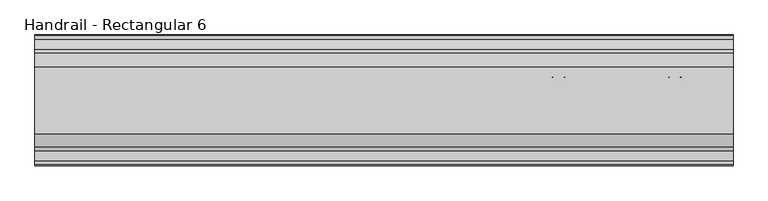
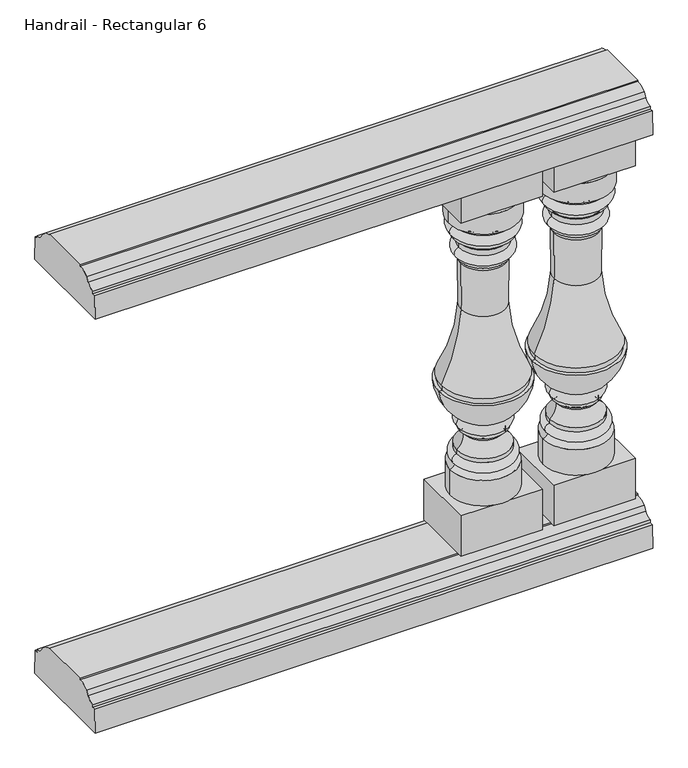
"""IFC4 building model written with IfcOpenShell, lengths in millimetres: railing geometry, Handrail - Rectangular 6."""

from ifc_helpers import new_model, si_unit, point, frame, frame_2d, origin, place, context, project, spatial, polyline, circle_curve, ellipse_curve, trimmed, segment, composite_curve, outline, extrude, source, transform, mapped, element, save
from ifc_brep_helpers import plane_surface, cylinder_surface, revolved_surface, advanced_brep


def handrail_rectangular_6_3261862a(model_context):
    return source(origin(), model_context, "Body", "SolidModel", [
        extrude(outline(composite_curve([segment(trimmed(circle_curve(frame_2d((2037.3551798, 1054.89375)), 19.84375), [point((2037.3551798, 1035.05))], [point((2054.4756216, 1044.8605607))], True, "CARTESIAN"), True, "CONTINUOUS"), segment(polyline([(2054.4756216, 1044.8605607), (2060.9356936, 1054.3201059)]), True, "CONTINUOUS"), segment(trimmed(circle_curve(frame_2d((2084.9801798, 1027.90625)), 35.71875), [point((2060.9356936, 1054.3201059))], [point((2084.9801798, 1063.625))], False, "CARTESIAN"), True, "CONTINUOUS"), segment(polyline([(2084.9801798, 1063.625), (2084.9801798, 1066.8), (2200.8676798, 1066.8), (2200.8676798, 1063.625)]), True, "CONTINUOUS"), segment(trimmed(circle_curve(frame_2d((2200.8676798, 1027.90625)), 35.71875), [point((2200.8676798, 1063.625))], [point((2224.912166, 1054.3201059))], False, "CARTESIAN"), True, "CONTINUOUS"), segment(polyline([(2224.912166, 1054.3201059), (2231.372238, 1044.8605607)]), True, "CONTINUOUS"), segment(trimmed(circle_curve(frame_2d((2248.4926798, 1054.89375)), 19.84375), [point((2231.372238, 1044.8605607))], [point((2248.4926798, 1035.05))], True, "CARTESIAN"), True, "CONTINUOUS"), segment(polyline([(2248.4926798, 1035.05), (2248.4926798, 1028.7), (2255.6364298, 1028.7), (2257.2239298, 974.725), (2028.6239298, 974.725), (2030.2114298, 1028.7), (2037.3551798, 1028.7), (2037.3551798, 1035.05)]), True, "CONTINUOUS")], self_intersect=False)), frame((14401.1566037, 0.0, 0.0), z_axis=(1.0, 0.0, 0.0), x_axis=(0.0, 1.0, 0.0)), (0.0, 0.0, 1.0), 1219.2),
        extrude(outline(composite_curve([segment(trimmed(circle_curve(frame_2d((2037.3551798, 99.21875)), 19.84375), [point((2037.3551798, 79.375))], [point((2054.4756216, 89.1855607))], True, "CARTESIAN"), True, "CONTINUOUS"), segment(polyline([(2054.4756216, 89.1855607), (2060.9356936, 98.6451059)]), True, "CONTINUOUS"), segment(trimmed(circle_curve(frame_2d((2084.9801798, 72.23125)), 35.71875), [point((2060.9356936, 98.6451059))], [point((2084.9801798, 107.95))], False, "CARTESIAN"), True, "CONTINUOUS"), segment(polyline([(2084.9801798, 107.95), (2084.9801798, 111.125), (2200.8676798, 111.125), (2200.8676798, 107.95)]), True, "CONTINUOUS"), segment(trimmed(circle_curve(frame_2d((2200.8676798, 72.23125)), 35.71875), [point((2200.8676798, 107.95))], [point((2224.912166, 98.6451059))], False, "CARTESIAN"), True, "CONTINUOUS"), segment(polyline([(2224.912166, 98.6451059), (2231.372238, 89.1855607)]), True, "CONTINUOUS"), segment(trimmed(circle_curve(frame_2d((2248.4926798, 99.21875)), 19.84375), [point((2231.372238, 89.1855607))], [point((2248.4926798, 79.375))], True, "CARTESIAN"), True, "CONTINUOUS"), segment(polyline([(2248.4926798, 79.375), (2248.4926798, 73.025), (2255.6364298, 73.025), (2257.2239298, 19.05), (2028.6239298, 19.05), (2030.2114298, 73.025), (2037.3551798, 73.025), (2037.3551798, 79.375)]), True, "CONTINUOUS")], self_intersect=False)), frame((14401.1566037, 0.0, 0.0), z_axis=(1.0, 0.0, 0.0), x_axis=(0.0, 1.0, 0.0)), (0.0, 0.0, 1.0), 1219.2),
        advanced_brep(
        [(15442.5566037, 2142.9239298, 881.0625), (15594.9566037, 2142.9239298, 881.0625), (15518.7566037, 2142.9239298, 881.0625), (15442.5566037, 2142.9239298, 835.3414358), (15594.9566037, 2142.9239298, 835.3414358), (15454.6856401, 2142.9239298, 824.1251909), (15582.8275673, 2142.9239298, 824.1251909), (15454.9308811, 2142.9239298, 801.0872354), (15582.5823263, 2142.9239298, 801.0872354), (15454.9308811, 2142.9239298, 792.9994382), (15582.5823263, 2142.9239298, 792.9994382), (15463.7594002, 2142.9239298, 784.421477), (15573.7538072, 2142.9239298, 784.421477), (15466.0956778, 2142.9239298, 770.116552), (15571.4175297, 2142.9239298, 770.116552), (15466.0956778, 2142.9239298, 748.0589375), (15571.4175297, 2142.9239298, 748.0589375), (15466.0956778, 2142.9239298, 739.775), (15571.4175297, 2142.9239298, 739.775), (15469.967985, 2142.9239298, 732.0548389), (15567.5452225, 2142.9239298, 732.0548389), (15470.7774609, 2142.9239298, 625.8760562), (15566.7357466, 2142.9239298, 625.8760562), (15427.2181635, 2142.9239298, 465.93125), (15610.295044, 2142.9239298, 465.93125), (15429.320044, 2142.9239298, 465.93125), (15608.1931635, 2142.9239298, 465.93125), (15429.320044, 2142.9239298, 453.23125), (15608.1931635, 2142.9239298, 453.23125), (15421.9191037, 2142.9239298, 453.23125), (15615.5941037, 2142.9239298, 453.23125), (15467.8451606, 2142.9239298, 375.8648455), (15569.6680469, 2142.9239298, 375.8648455), (15467.9865209, 2142.9239298, 352.5012686), (15569.5266866, 2142.9239298, 352.5012686), (15467.9865209, 2142.9239298, 345.021636), (15569.5266866, 2142.9239298, 345.021636), (15475.938561, 2142.9239298, 336.1395712), (15561.5746464, 2142.9239298, 336.1395712), (15460.9700276, 2142.9239298, 304.3511281), (15576.5431798, 2142.9239298, 304.3511281), (15460.9700276, 2142.9239298, 295.0015923), (15576.5431798, 2142.9239298, 295.0015923), (15458.6311821, 2142.9239298, 273.4976463), (15578.8820254, 2142.9239298, 273.4976463), (15446.5463208, 2142.9239298, 263.7041906), (15590.9668867, 2142.9239298, 263.7041906), (15446.5463208, 2142.9239298, 204.7875), (15590.9668867, 2142.9239298, 204.7875), (15518.7566037, 2142.9239298, 204.7875)],
        [
            (0, 1, circle_curve(frame((15518.7566037, 2142.9239298, 881.0625), z_axis=(0.0, 0.0, 1.0), x_axis=(1.0, 0.0, 0.0)), 76.2)),
            (1, 2),
            (2, 0),
            (1, 0, circle_curve(frame((15518.7566037, 2142.9239298, 881.0625), z_axis=(0.0, 0.0, 1.0), x_axis=(1.0, 0.0, 0.0)), 76.2)),
            (3, 4, circle_curve(frame((15518.7566037, 2142.9239298, 835.3414358), z_axis=(0.0, 0.0, 1.0), x_axis=(1.0, 0.0, 0.0)), 76.2)),
            (4, 1),
            (0, 3),
            (4, 3, circle_curve(frame((15518.7566037, 2142.9239298, 835.3414358), z_axis=(0.0, 0.0, 1.0), x_axis=(1.0, 0.0, 0.0)), 76.2)),
            (5, 6, circle_curve(frame((15518.7566037, 2142.9239298, 824.1251909), z_axis=(0.0, 0.0, 1.0), x_axis=(1.0, 0.0, 0.0)), 64.0709636)),
            (6, 4, circle_curve(frame((15594.9701178, 2142.9239298, 823.1606434), z_axis=(0.0, 1.0, 0.0), x_axis=(-1.0, 0.0, 0.0)), 12.1807998)),
            (3, 5, circle_curve(frame((15442.5430896, 2142.9239298, 823.1606434), z_axis=(0.0, 1.0, 0.0), x_axis=(1.0, 0.0, 0.0)), 12.1807998)),
            (6, 5, circle_curve(frame((15518.7566037, 2142.9239298, 824.1251909), z_axis=(0.0, 0.0, 1.0), x_axis=(1.0, 0.0, 0.0)), 64.0709636)),
            (7, 8, circle_curve(frame((15518.7566037, 2142.9239298, 801.0872354), z_axis=(0.0, 0.0, 1.0), x_axis=(1.0, 0.0, 0.0)), 63.8257226)),
            (8, 6, circle_curve(frame((15580.416234, 2142.9239298, 812.6305767), z_axis=(0.0, -1.0, 0.0), x_axis=(-1.0, 0.0, 0.0)), 11.7448152)),
            (5, 7, circle_curve(frame((15457.0969735, 2142.9239298, 812.6305767), z_axis=(0.0, -1.0, 0.0), x_axis=(1.0, 0.0, 0.0)), 11.7448152)),
            (8, 7, circle_curve(frame((15518.7566037, 2142.9239298, 801.0872354), z_axis=(0.0, 0.0, 1.0), x_axis=(1.0, 0.0, 0.0)), 63.8257226)),
            (9, 10, circle_curve(frame((15518.7566037, 2142.9239298, 792.9994382), z_axis=(0.0, 0.0, 1.0), x_axis=(1.0, 0.0, 0.0)), 63.8257226)),
            (10, 8),
            (7, 9),
            (10, 9, circle_curve(frame((15518.7566037, 2142.9239298, 792.9994382), z_axis=(0.0, 0.0, 1.0), x_axis=(1.0, 0.0, 0.0)), 63.8257226)),
            (11, 12, circle_curve(frame((15518.7566037, 2142.9239298, 784.421477), z_axis=(0.0, 0.0, 1.0), x_axis=(1.0, 0.0, 0.0)), 54.9972035)),
            (12, 10, circle_curve(frame((15586.9843357, 2142.9239298, 779.6366699), z_axis=(0.0, 1.0, 0.0), x_axis=(-1.0, 0.0, 0.0)), 14.06916)),
            (9, 11, circle_curve(frame((15450.5288718, 2142.9239298, 779.6366699), z_axis=(0.0, 1.0, 0.0), x_axis=(1.0, 0.0, 0.0)), 14.06916)),
            (12, 11, circle_curve(frame((15518.7566037, 2142.9239298, 784.421477), z_axis=(0.0, 0.0, 1.0), x_axis=(1.0, 0.0, 0.0)), 54.9972035)),
            (13, 14, circle_curve(frame((15518.7566037, 2142.9239298, 770.116552), z_axis=(0.0, 0.0, 1.0), x_axis=(1.0, 0.0, 0.0)), 52.660926)),
            (14, 12, circle_curve(frame((15600.3766622, 2142.9239298, 772.7301948), z_axis=(0.0, 1.0, 0.0), x_axis=(-1.0, 0.0, 0.0)), 29.0768376)),
            (11, 13, circle_curve(frame((15437.1365453, 2142.9239298, 772.7301948), z_axis=(0.0, 1.0, 0.0), x_axis=(1.0, 0.0, 0.0)), 29.0768376)),
            (14, 13, circle_curve(frame((15518.7566037, 2142.9239298, 770.116552), z_axis=(0.0, 0.0, 1.0), x_axis=(1.0, 0.0, 0.0)), 52.660926)),
            (15, 16, circle_curve(frame((15518.7566037, 2142.9239298, 748.0589375), z_axis=(0.0, 0.0, 1.0), x_axis=(1.0, 0.0, 0.0)), 52.660926)),
            (16, 14, circle_curve(frame((15570.9632965, 2142.9239298, 759.0877448), z_axis=(0.0, -1.0, 0.0), x_axis=(-1.0, 0.0, 0.0)), 11.0381573)),
            (13, 15, circle_curve(frame((15466.5499109, 2142.9239298, 759.0877448), z_axis=(0.0, -1.0, 0.0), x_axis=(1.0, 0.0, 0.0)), 11.0381573)),
            (16, 15, circle_curve(frame((15518.7566037, 2142.9239298, 748.0589375), z_axis=(0.0, 0.0, 1.0), x_axis=(1.0, 0.0, 0.0)), 52.660926)),
            (17, 18, circle_curve(frame((15518.7566037, 2142.9239298, 739.775), z_axis=(0.0, 0.0, 1.0), x_axis=(1.0, 0.0, 0.0)), 52.660926)),
            (18, 16),
            (15, 17),
            (18, 17, circle_curve(frame((15518.7566037, 2142.9239298, 739.775), z_axis=(0.0, 0.0, 1.0), x_axis=(1.0, 0.0, 0.0)), 52.660926)),
            (19, 20, circle_curve(frame((15518.7566037, 2142.9239298, 732.0548389), z_axis=(0.0, 0.0, 1.0), x_axis=(1.0, 0.0, 0.0)), 48.7886187)),
            (20, 18, circle_curve(frame((15578.7841732, 2142.9239298, 731.2487877), z_axis=(0.0, 1.0, 0.0), x_axis=(-1.0, 0.0, 0.0)), 11.2678184)),
            (17, 19, circle_curve(frame((15458.7290342, 2142.9239298, 731.2487877), z_axis=(0.0, 1.0, 0.0), x_axis=(1.0, 0.0, 0.0)), 11.2678184)),
            (20, 19, circle_curve(frame((15518.7566037, 2142.9239298, 732.0548389), z_axis=(0.0, 0.0, 1.0), x_axis=(1.0, 0.0, 0.0)), 48.7886187)),
            (21, 22, circle_curve(frame((15518.7566037, 2142.9239298, 625.8760562), z_axis=(0.0, 0.0, 1.0), x_axis=(1.0, 0.0, 0.0)), 47.9791428)),
            (22, 20, circle_curve(frame((16395.8762916, 2142.9239298, 672.6474087), z_axis=(0.0, 1.0, 0.0), x_axis=(-1.0, 0.0, 0.0)), 830.4586702)),
            (19, 21, circle_curve(frame((14641.6369158, 2142.9239298, 672.6474087), z_axis=(0.0, 1.0, 0.0), x_axis=(1.0, 0.0, 0.0)), 830.4586702)),
            (22, 21, circle_curve(frame((15518.7566037, 2142.9239298, 625.8760562), z_axis=(0.0, 0.0, 1.0), x_axis=(1.0, 0.0, 0.0)), 47.9791428)),
            (23, 24, circle_curve(frame((15518.7566037, 2142.9239298, 465.93125), z_axis=(0.0, 0.0, 1.0), x_axis=(1.0, 0.0, 0.0)), 91.5384403)),
            (24, 22, circle_curve(frame((15964.5675269, 2142.9239298, 648.3175235), z_axis=(0.0, 1.0, 0.0), x_axis=(-1.0, 0.0, 0.0)), 398.4642329)),
            (21, 23, circle_curve(frame((15072.9456805, 2142.9239298, 648.3175235), z_axis=(0.0, 1.0, 0.0), x_axis=(1.0, 0.0, 0.0)), 398.4642329)),
            (24, 23, circle_curve(frame((15518.7566037, 2142.9239298, 465.93125), z_axis=(0.0, 0.0, 1.0), x_axis=(1.0, 0.0, 0.0)), 91.5384403)),
            (25, 26, circle_curve(frame((15518.7566037, 2142.9239298, 465.93125), z_axis=(0.0, 0.0, 1.0), x_axis=(1.0, 0.0, 0.0)), 89.4365597)),
            (26, 24),
            (23, 25),
            (26, 25, circle_curve(frame((15518.7566037, 2142.9239298, 465.93125), z_axis=(0.0, 0.0, 1.0), x_axis=(1.0, 0.0, 0.0)), 89.4365597)),
            (27, 28, circle_curve(frame((15518.7566037, 2142.9239298, 453.23125), z_axis=(0.0, 0.0, 1.0), x_axis=(1.0, 0.0, 0.0)), 89.4365597)),
            (28, 26),
            (25, 27),
            (28, 27, circle_curve(frame((15518.7566037, 2142.9239298, 453.23125), z_axis=(0.0, 0.0, 1.0), x_axis=(1.0, 0.0, 0.0)), 89.4365597)),
            (29, 30, circle_curve(frame((15518.7566037, 2142.9239298, 453.23125), z_axis=(0.0, 0.0, 1.0), x_axis=(1.0, 0.0, 0.0)), 96.8375)),
            (30, 28),
            (27, 29),
            (30, 29, circle_curve(frame((15518.7566037, 2142.9239298, 453.23125), z_axis=(0.0, 0.0, 1.0), x_axis=(1.0, 0.0, 0.0)), 96.8375)),
            (31, 32, circle_curve(frame((15518.7566037, 2142.9239298, 375.8648455), z_axis=(0.0, 0.0, 1.0), x_axis=(1.0, 0.0, 0.0)), 50.9114432)),
            (32, 30, circle_curve(frame((15511.1149183, 2142.9239298, 462.9374706), z_axis=(0.0, -1.0, 0.0), x_axis=(-1.0, 0.0, 0.0)), 104.9290756)),
            (29, 31, circle_curve(frame((15526.3982891, 2142.9239298, 462.9374706), z_axis=(0.0, -1.0, 0.0), x_axis=(1.0, 0.0, 0.0)), 104.9290756)),
            (32, 31, circle_curve(frame((15518.7566037, 2142.9239298, 375.8648455), z_axis=(0.0, 0.0, 1.0), x_axis=(1.0, 0.0, 0.0)), 50.9114432)),
            (33, 34, circle_curve(frame((15518.7566037, 2142.9239298, 352.5012686), z_axis=(0.0, 0.0, 1.0), x_axis=(1.0, 0.0, 0.0)), 50.7700828)),
            (34, 32, circle_curve(frame((15564.2946929, 2142.9239298, 364.2151406), z_axis=(0.0, -1.0, 0.0), x_axis=(-1.0, 0.0, 0.0)), 12.8292072)),
            (31, 33, circle_curve(frame((15473.2185146, 2142.9239298, 364.2151406), z_axis=(0.0, -1.0, 0.0), x_axis=(1.0, 0.0, 0.0)), 12.8292072)),
            (34, 33, circle_curve(frame((15518.7566037, 2142.9239298, 352.5012686), z_axis=(0.0, 0.0, 1.0), x_axis=(1.0, 0.0, 0.0)), 50.7700828)),
            (35, 36, circle_curve(frame((15518.7566037, 2142.9239298, 345.021636), z_axis=(0.0, 0.0, 1.0), x_axis=(1.0, 0.0, 0.0)), 50.7700828)),
            (36, 34),
            (33, 35),
            (36, 35, circle_curve(frame((15518.7566037, 2142.9239298, 345.021636), z_axis=(0.0, 0.0, 1.0), x_axis=(1.0, 0.0, 0.0)), 50.7700828)),
            (37, 38, circle_curve(frame((15518.7566037, 2142.9239298, 336.1395712), z_axis=(0.0, 0.0, 1.0), x_axis=(1.0, 0.0, 0.0)), 42.8180427)),
            (38, 36, circle_curve(frame((15571.4720246, 2142.9239298, 335.27926), z_axis=(0.0, 1.0, 0.0), x_axis=(-1.0, 0.0, 0.0)), 9.9346983)),
            (35, 37, circle_curve(frame((15466.0411828, 2142.9239298, 335.27926), z_axis=(0.0, 1.0, 0.0), x_axis=(1.0, 0.0, 0.0)), 9.9346983)),
            (38, 37, circle_curve(frame((15518.7566037, 2142.9239298, 336.1395712), z_axis=(0.0, 0.0, 1.0), x_axis=(1.0, 0.0, 0.0)), 42.8180427)),
            (39, 40, circle_curve(frame((15518.7566037, 2142.9239298, 304.3511281), z_axis=(0.0, 0.0, 1.0), x_axis=(1.0, 0.0, 0.0)), 57.7865761)),
            (40, 38, circle_curve(frame((15596.3869651, 2142.9239298, 333.1135753), z_axis=(0.0, 1.0, 0.0), x_axis=(-1.0, 0.0, 0.0)), 34.9435857)),
            (37, 39, circle_curve(frame((15441.1262423, 2142.9239298, 333.1135753), z_axis=(0.0, 1.0, 0.0), x_axis=(1.0, 0.0, 0.0)), 34.9435857)),
            (40, 39, circle_curve(frame((15518.7566037, 2142.9239298, 304.3511281), z_axis=(0.0, 0.0, 1.0), x_axis=(1.0, 0.0, 0.0)), 57.7865761)),
            (41, 42, circle_curve(frame((15518.7566037, 2142.9239298, 295.0015923), z_axis=(0.0, 0.0, 1.0), x_axis=(1.0, 0.0, 0.0)), 57.7865761)),
            (42, 40),
            (39, 41),
            (42, 41, circle_curve(frame((15518.7566037, 2142.9239298, 295.0015923), z_axis=(0.0, 0.0, 1.0), x_axis=(1.0, 0.0, 0.0)), 57.7865761)),
            (43, 44, circle_curve(frame((15518.7566037, 2142.9239298, 273.4976463), z_axis=(0.0, 0.0, 1.0), x_axis=(1.0, 0.0, 0.0)), 60.1254216)),
            (44, 42, circle_curve(frame((15575.9291969, 2142.9239298, 284.0556497), z_axis=(0.0, -1.0, 0.0), x_axis=(-1.0, 0.0, 0.0)), 10.9631488)),
            (41, 43, circle_curve(frame((15461.5840105, 2142.9239298, 284.0556497), z_axis=(0.0, -1.0, 0.0), x_axis=(1.0, 0.0, 0.0)), 10.9631488)),
            (44, 43, circle_curve(frame((15518.7566037, 2142.9239298, 273.4976463), z_axis=(0.0, 0.0, 1.0), x_axis=(1.0, 0.0, 0.0)), 60.1254216)),
            (45, 46, circle_curve(frame((15518.7566037, 2142.9239298, 263.7041906), z_axis=(0.0, 0.0, 1.0), x_axis=(1.0, 0.0, 0.0)), 72.210283)),
            (46, 44, circle_curve(frame((15597.0977895, 2142.9239298, 283.622485), z_axis=(0.0, 1.0, 0.0), x_axis=(-1.0, 0.0, 0.0)), 20.8404996)),
            (43, 45, circle_curve(frame((15440.4154179, 2142.9239298, 283.622485), z_axis=(0.0, 1.0, 0.0), x_axis=(1.0, 0.0, 0.0)), 20.8404996)),
            (46, 45, circle_curve(frame((15518.7566037, 2142.9239298, 263.7041906), z_axis=(0.0, 0.0, 1.0), x_axis=(1.0, 0.0, 0.0)), 72.210283)),
            (47, 48, circle_curve(frame((15518.7566037, 2142.9239298, 204.7875), z_axis=(0.0, 0.0, 1.0), x_axis=(1.0, 0.0, 0.0)), 72.210283)),
            (48, 46),
            (45, 47),
            (48, 47, circle_curve(frame((15518.7566037, 2142.9239298, 204.7875), z_axis=(0.0, 0.0, 1.0), x_axis=(1.0, 0.0, 0.0)), 72.210283)),
            (49, 48),
            (47, 49),
        ],
        [
            plane_surface(frame((15518.7566037, 2142.9239298, 881.0625), z_axis=(0.0, 0.0, 1.0), x_axis=(1.0, 0.0, 0.0))),
            cylinder_surface(frame((15518.7566037, 2142.9239298, 833.4375), z_axis=(0.0, 0.0, -1.0), x_axis=(1.0, 0.0, 0.0)), 76.2),
            revolved_surface(trimmed(ellipse_curve(frame((15594.9701178, 2142.9239298, 823.1606434), z_axis=(0.0, -1.0, 0.0), x_axis=(-1.0, 0.0, 0.0)), 12.1807998, 12.1807998), [point((15594.9566037, 2142.9239298, 835.3414358))], [point((15582.8275673, 2142.9239298, 824.1251909))], True, "CARTESIAN"), (15518.7566037, 2142.9239298, 833.4375), (0.0, 0.0, -1.0)),
            revolved_surface(trimmed(ellipse_curve(frame((15580.416234, 2142.9239298, 812.6305767), z_axis=(0.0, 1.0, 0.0), x_axis=(-1.0, 0.0, 0.0)), 11.7448152, 11.7448152), [point((15582.8275673, 2142.9239298, 824.1251909))], [point((15582.5823263, 2142.9239298, 801.0872354))], True, "CARTESIAN"), (15518.7566037, 2142.9239298, 833.4375), (0.0, 0.0, -1.0)),
            cylinder_surface(frame((15518.7566037, 2142.9239298, 833.4375), z_axis=(0.0, 0.0, -1.0), x_axis=(1.0, 0.0, 0.0)), 63.8257226),
            revolved_surface(trimmed(ellipse_curve(frame((15586.9843357, 2142.9239298, 779.6366699), z_axis=(0.0, -1.0, 0.0), x_axis=(-1.0, 0.0, 0.0)), 14.06916, 14.06916), [point((15582.5823263, 2142.9239298, 792.9994382))], [point((15573.7538072, 2142.9239298, 784.421477))], True, "CARTESIAN"), (15518.7566037, 2142.9239298, 833.4375), (0.0, 0.0, -1.0)),
            revolved_surface(trimmed(ellipse_curve(frame((15600.3766622, 2142.9239298, 772.7301948), z_axis=(0.0, -1.0, 0.0), x_axis=(-1.0, 0.0, 0.0)), 29.0768376, 29.0768376), [point((15573.7538072, 2142.9239298, 784.421477))], [point((15571.4175297, 2142.9239298, 770.116552))], True, "CARTESIAN"), (15518.7566037, 2142.9239298, 833.4375), (0.0, 0.0, -1.0)),
            revolved_surface(trimmed(ellipse_curve(frame((15570.9632965, 2142.9239298, 759.0877448), z_axis=(0.0, 1.0, 0.0), x_axis=(-1.0, 0.0, 0.0)), 11.0381573, 11.0381573), [point((15571.4175297, 2142.9239298, 770.116552))], [point((15571.4175297, 2142.9239298, 748.0589375))], True, "CARTESIAN"), (15518.7566037, 2142.9239298, 833.4375), (0.0, 0.0, -1.0)),
            cylinder_surface(frame((15518.7566037, 2142.9239298, 833.4375), z_axis=(0.0, 0.0, -1.0), x_axis=(1.0, 0.0, 0.0)), 52.660926),
            revolved_surface(trimmed(ellipse_curve(frame((15578.7841732, 2142.9239298, 731.2487877), z_axis=(0.0, -1.0, 0.0), x_axis=(-1.0, 0.0, 0.0)), 11.2678184, 11.2678184), [point((15571.4175297, 2142.9239298, 739.775))], [point((15567.5452225, 2142.9239298, 732.0548389))], True, "CARTESIAN"), (15518.7566037, 2142.9239298, 833.4375), (0.0, 0.0, -1.0)),
            revolved_surface(trimmed(ellipse_curve(frame((16395.8762916, 2142.9239298, 672.6474087), z_axis=(0.0, -1.0, 0.0), x_axis=(-1.0, 0.0, 0.0)), 830.4586702, 830.4586702), [point((15567.5452225, 2142.9239298, 732.0548389))], [point((15566.7357466, 2142.9239298, 625.8760562))], True, "CARTESIAN"), (15518.7566037, 2142.9239298, 833.4375), (0.0, 0.0, -1.0)),
            revolved_surface(trimmed(ellipse_curve(frame((15964.5675269, 2142.9239298, 648.3175235), z_axis=(0.0, -1.0, 0.0), x_axis=(-1.0, 0.0, 0.0)), 398.4642329, 398.4642329), [point((15566.7357466, 2142.9239298, 625.8760562))], [point((15610.295044, 2142.9239298, 465.93125))], True, "CARTESIAN"), (15518.7566037, 2142.9239298, 833.4375), (0.0, 0.0, -1.0)),
            plane_surface(frame((15518.7566037, 2142.9239298, 465.93125), z_axis=(0.0, 0.0, -1.0), x_axis=(1.0, 0.0, 0.0))),
            cylinder_surface(frame((15518.7566037, 2142.9239298, 833.4375), z_axis=(0.0, 0.0, -1.0), x_axis=(1.0, 0.0, 0.0)), 89.4365597),
            plane_surface(frame((15518.7566037, 2142.9239298, 453.23125), z_axis=(0.0, 0.0, 1.0), x_axis=(1.0, 0.0, 0.0))),
            revolved_surface(trimmed(ellipse_curve(frame((15511.1149183, 2142.9239298, 462.9374706), z_axis=(0.0, 1.0, 0.0), x_axis=(-1.0, 0.0, 0.0)), 104.9290756, 104.9290756), [point((15615.5941037, 2142.9239298, 453.23125))], [point((15569.6680469, 2142.9239298, 375.8648455))], True, "CARTESIAN"), (15518.7566037, 2142.9239298, 833.4375), (0.0, 0.0, -1.0)),
            revolved_surface(trimmed(ellipse_curve(frame((15564.2946929, 2142.9239298, 364.2151406), z_axis=(0.0, 1.0, 0.0), x_axis=(-1.0, 0.0, 0.0)), 12.8292072, 12.8292072), [point((15569.6680469, 2142.9239298, 375.8648455))], [point((15569.5266866, 2142.9239298, 352.5012686))], True, "CARTESIAN"), (15518.7566037, 2142.9239298, 833.4375), (0.0, 0.0, -1.0)),
            cylinder_surface(frame((15518.7566037, 2142.9239298, 833.4375), z_axis=(0.0, 0.0, -1.0), x_axis=(1.0, 0.0, 0.0)), 50.7700828),
            revolved_surface(trimmed(ellipse_curve(frame((15571.4720246, 2142.9239298, 335.27926), z_axis=(0.0, -1.0, 0.0), x_axis=(-1.0, 0.0, 0.0)), 9.9346983, 9.9346983), [point((15569.5266866, 2142.9239298, 345.021636))], [point((15561.5746464, 2142.9239298, 336.1395712))], True, "CARTESIAN"), (15518.7566037, 2142.9239298, 833.4375), (0.0, 0.0, -1.0)),
            revolved_surface(trimmed(ellipse_curve(frame((15596.3869651, 2142.9239298, 333.1135753), z_axis=(0.0, -1.0, 0.0), x_axis=(-1.0, 0.0, 0.0)), 34.9435857, 34.9435857), [point((15561.5746464, 2142.9239298, 336.1395712))], [point((15576.5431798, 2142.9239298, 304.3511281))], True, "CARTESIAN"), (15518.7566037, 2142.9239298, 833.4375), (0.0, 0.0, -1.0)),
            cylinder_surface(frame((15518.7566037, 2142.9239298, 833.4375), z_axis=(0.0, 0.0, -1.0), x_axis=(1.0, 0.0, 0.0)), 57.7865761),
            revolved_surface(trimmed(ellipse_curve(frame((15575.9291969, 2142.9239298, 284.0556497), z_axis=(0.0, 1.0, 0.0), x_axis=(-1.0, 0.0, 0.0)), 10.9631488, 10.9631488), [point((15576.5431798, 2142.9239298, 295.0015923))], [point((15578.8820254, 2142.9239298, 273.4976463))], True, "CARTESIAN"), (15518.7566037, 2142.9239298, 833.4375), (0.0, 0.0, -1.0)),
            revolved_surface(trimmed(ellipse_curve(frame((15597.0977895, 2142.9239298, 283.622485), z_axis=(0.0, -1.0, 0.0), x_axis=(-1.0, 0.0, 0.0)), 20.8404996, 20.8404996), [point((15578.8820254, 2142.9239298, 273.4976463))], [point((15590.9668867, 2142.9239298, 263.7041906))], True, "CARTESIAN"), (15518.7566037, 2142.9239298, 833.4375), (0.0, 0.0, -1.0)),
            cylinder_surface(frame((15518.7566037, 2142.9239298, 833.4375), z_axis=(0.0, 0.0, -1.0), x_axis=(1.0, 0.0, 0.0)), 72.210283),
            plane_surface(frame((15518.7566037, 2142.9239298, 204.7875), z_axis=(0.0, 0.0, -1.0), x_axis=(1.0, 0.0, 0.0))),
        ],
        [
            (0, [[1, 2, 3]]),
            (0, [[4, -3, -2]]),
            (1, [[5, 6, -1, 7]]),
            (1, [[8, -7, -4, -6]]),
            (2, [[9, 10, -5, 11]]),
            (2, [[12, -11, -8, -10]]),
            (3, [[13, 14, -9, 15]]),
            (3, [[16, -15, -12, -14]]),
            (4, [[17, 18, -13, 19]]),
            (4, [[20, -19, -16, -18]]),
            (5, [[21, 22, -17, 23]]),
            (5, [[24, -23, -20, -22]]),
            (6, [[25, 26, -21, 27]]),
            (6, [[28, -27, -24, -26]]),
            (7, [[29, 30, -25, 31]]),
            (7, [[32, -31, -28, -30]]),
            (8, [[33, 34, -29, 35]]),
            (8, [[36, -35, -32, -34]]),
            (9, [[37, 38, -33, 39]]),
            (9, [[40, -39, -36, -38]]),
            (10, [[41, 42, -37, 43]]),
            (10, [[44, -43, -40, -42]]),
            (11, [[45, 46, -41, 47]]),
            (11, [[48, -47, -44, -46]]),
            (12, [[49, 50, -45, 51]]),
            (12, [[52, -51, -48, -50]]),
            (13, [[53, 54, -49, 55]]),
            (13, [[56, -55, -52, -54]]),
            (14, [[57, 58, -53, 59]]),
            (14, [[60, -59, -56, -58]]),
            (15, [[61, 62, -57, 63]]),
            (15, [[64, -63, -60, -62]]),
            (16, [[65, 66, -61, 67]]),
            (16, [[68, -67, -64, -66]]),
            (17, [[69, 70, -65, 71]]),
            (17, [[72, -71, -68, -70]]),
            (18, [[73, 74, -69, 75]]),
            (18, [[76, -75, -72, -74]]),
            (19, [[77, 78, -73, 79]]),
            (19, [[80, -79, -76, -78]]),
            (20, [[81, 82, -77, 83]]),
            (20, [[84, -83, -80, -82]]),
            (21, [[85, 86, -81, 87]]),
            (21, [[88, -87, -84, -86]]),
            (22, [[89, 90, -85, 91]]),
            (22, [[92, -91, -88, -90]]),
            (23, [[93, 94, -89, 95]]),
            (23, [[96, -95, -92, -94]]),
            (24, [[97, -93, 98]]),
            (24, [[-98, -96, -97]]),
        ],
    ),
        extrude(outline(polyline([(15429.8566037, 2073.0739298), (15429.8566037, 2212.7739298), (15607.6566037, 2212.7739298), (15607.6566037, 2073.0739298), (15429.8566037, 2073.0739298)])), frame((0.0, 0.0, 111.125), z_axis=(0.0, 0.0, 1.0), x_axis=(1.0, 0.0, 0.0)), (0.0, 0.0, 1.0), 93.6625),
        extrude(outline(polyline([(15429.8566037, 2212.7739298), (15607.6566037, 2212.7739298), (15607.6566037, 2073.0739298), (15429.8566037, 2073.0739298), (15429.8566037, 2212.7739298)])), frame((0.0, 0.0, 881.0625), z_axis=(0.0, 0.0, 1.0), x_axis=(1.0, 0.0, 0.0)), (0.0, 0.0, 1.0), 93.6625),
        advanced_brep(
        [(15239.3566037, 2142.9239298, 881.0625), (15391.7566037, 2142.9239298, 881.0625), (15315.5566037, 2142.9239298, 881.0625), (15239.3566037, 2142.9239298, 835.3414358), (15391.7566037, 2142.9239298, 835.3414358), (15251.4856401, 2142.9239298, 824.1251909), (15379.6275673, 2142.9239298, 824.1251909), (15251.7308811, 2142.9239298, 801.0872354), (15379.3823263, 2142.9239298, 801.0872354), (15251.7308811, 2142.9239298, 792.9994382), (15379.3823263, 2142.9239298, 792.9994382), (15260.5594002, 2142.9239298, 784.421477), (15370.5538072, 2142.9239298, 784.421477), (15262.8956778, 2142.9239298, 770.116552), (15368.2175297, 2142.9239298, 770.116552), (15262.8956778, 2142.9239298, 748.0589375), (15368.2175297, 2142.9239298, 748.0589375), (15262.8956778, 2142.9239298, 739.775), (15368.2175297, 2142.9239298, 739.775), (15266.767985, 2142.9239298, 732.0548389), (15364.3452225, 2142.9239298, 732.0548389), (15267.5774609, 2142.9239298, 625.8760562), (15363.5357466, 2142.9239298, 625.8760562), (15224.0181635, 2142.9239298, 465.93125), (15407.095044, 2142.9239298, 465.93125), (15226.120044, 2142.9239298, 465.93125), (15404.9931635, 2142.9239298, 465.93125), (15226.120044, 2142.9239298, 453.23125), (15404.9931635, 2142.9239298, 453.23125), (15218.7191037, 2142.9239298, 453.23125), (15412.3941037, 2142.9239298, 453.23125), (15264.6451606, 2142.9239298, 375.8648455), (15366.4680469, 2142.9239298, 375.8648455), (15264.7865209, 2142.9239298, 352.5012686), (15366.3266866, 2142.9239298, 352.5012686), (15264.7865209, 2142.9239298, 345.021636), (15366.3266866, 2142.9239298, 345.021636), (15272.738561, 2142.9239298, 336.1395712), (15358.3746464, 2142.9239298, 336.1395712), (15257.7700276, 2142.9239298, 304.3511281), (15373.3431798, 2142.9239298, 304.3511281), (15257.7700276, 2142.9239298, 295.0015923), (15373.3431798, 2142.9239298, 295.0015923), (15255.4311821, 2142.9239298, 273.4976463), (15375.6820254, 2142.9239298, 273.4976463), (15243.3463208, 2142.9239298, 263.7041906), (15387.7668867, 2142.9239298, 263.7041906), (15243.3463208, 2142.9239298, 204.7875), (15387.7668867, 2142.9239298, 204.7875), (15315.5566037, 2142.9239298, 204.7875)],
        [
            (0, 1, circle_curve(frame((15315.5566037, 2142.9239298, 881.0625), z_axis=(0.0, 0.0, 1.0), x_axis=(1.0, 0.0, 0.0)), 76.2)),
            (1, 2),
            (2, 0),
            (1, 0, circle_curve(frame((15315.5566037, 2142.9239298, 881.0625), z_axis=(0.0, 0.0, 1.0), x_axis=(1.0, 0.0, 0.0)), 76.2)),
            (3, 4, circle_curve(frame((15315.5566037, 2142.9239298, 835.3414358), z_axis=(0.0, 0.0, 1.0), x_axis=(1.0, 0.0, 0.0)), 76.2)),
            (4, 1),
            (0, 3),
            (4, 3, circle_curve(frame((15315.5566037, 2142.9239298, 835.3414358), z_axis=(0.0, 0.0, 1.0), x_axis=(1.0, 0.0, 0.0)), 76.2)),
            (5, 6, circle_curve(frame((15315.5566037, 2142.9239298, 824.1251909), z_axis=(0.0, 0.0, 1.0), x_axis=(1.0, 0.0, 0.0)), 64.0709636)),
            (6, 4, circle_curve(frame((15391.7701178, 2142.9239298, 823.1606434), z_axis=(0.0, 1.0, 0.0), x_axis=(-1.0, 0.0, 0.0)), 12.1807998)),
            (3, 5, circle_curve(frame((15239.3430896, 2142.9239298, 823.1606434), z_axis=(0.0, 1.0, 0.0), x_axis=(1.0, 0.0, 0.0)), 12.1807998)),
            (6, 5, circle_curve(frame((15315.5566037, 2142.9239298, 824.1251909), z_axis=(0.0, 0.0, 1.0), x_axis=(1.0, 0.0, 0.0)), 64.0709636)),
            (7, 8, circle_curve(frame((15315.5566037, 2142.9239298, 801.0872354), z_axis=(0.0, 0.0, 1.0), x_axis=(1.0, 0.0, 0.0)), 63.8257226)),
            (8, 6, circle_curve(frame((15377.216234, 2142.9239298, 812.6305767), z_axis=(0.0, -1.0, 0.0), x_axis=(-1.0, 0.0, 0.0)), 11.7448152)),
            (5, 7, circle_curve(frame((15253.8969735, 2142.9239298, 812.6305767), z_axis=(0.0, -1.0, 0.0), x_axis=(1.0, 0.0, 0.0)), 11.7448152)),
            (8, 7, circle_curve(frame((15315.5566037, 2142.9239298, 801.0872354), z_axis=(0.0, 0.0, 1.0), x_axis=(1.0, 0.0, 0.0)), 63.8257226)),
            (9, 10, circle_curve(frame((15315.5566037, 2142.9239298, 792.9994382), z_axis=(0.0, 0.0, 1.0), x_axis=(1.0, 0.0, 0.0)), 63.8257226)),
            (10, 8),
            (7, 9),
            (10, 9, circle_curve(frame((15315.5566037, 2142.9239298, 792.9994382), z_axis=(0.0, 0.0, 1.0), x_axis=(1.0, 0.0, 0.0)), 63.8257226)),
            (11, 12, circle_curve(frame((15315.5566037, 2142.9239298, 784.421477), z_axis=(0.0, 0.0, 1.0), x_axis=(1.0, 0.0, 0.0)), 54.9972035)),
            (12, 10, circle_curve(frame((15383.7843357, 2142.9239298, 779.6366699), z_axis=(0.0, 1.0, 0.0), x_axis=(-1.0, 0.0, 0.0)), 14.06916)),
            (9, 11, circle_curve(frame((15247.3288718, 2142.9239298, 779.6366699), z_axis=(0.0, 1.0, 0.0), x_axis=(1.0, 0.0, 0.0)), 14.06916)),
            (12, 11, circle_curve(frame((15315.5566037, 2142.9239298, 784.421477), z_axis=(0.0, 0.0, 1.0), x_axis=(1.0, 0.0, 0.0)), 54.9972035)),
            (13, 14, circle_curve(frame((15315.5566037, 2142.9239298, 770.116552), z_axis=(0.0, 0.0, 1.0), x_axis=(1.0, 0.0, 0.0)), 52.660926)),
            (14, 12, circle_curve(frame((15397.1766622, 2142.9239298, 772.7301948), z_axis=(0.0, 1.0, 0.0), x_axis=(-1.0, 0.0, 0.0)), 29.0768376)),
            (11, 13, circle_curve(frame((15233.9365453, 2142.9239298, 772.7301948), z_axis=(0.0, 1.0, 0.0), x_axis=(1.0, 0.0, 0.0)), 29.0768376)),
            (14, 13, circle_curve(frame((15315.5566037, 2142.9239298, 770.116552), z_axis=(0.0, 0.0, 1.0), x_axis=(1.0, 0.0, 0.0)), 52.660926)),
            (15, 16, circle_curve(frame((15315.5566037, 2142.9239298, 748.0589375), z_axis=(0.0, 0.0, 1.0), x_axis=(1.0, 0.0, 0.0)), 52.660926)),
            (16, 14, circle_curve(frame((15367.7632965, 2142.9239298, 759.0877448), z_axis=(0.0, -1.0, 0.0), x_axis=(-1.0, 0.0, 0.0)), 11.0381573)),
            (13, 15, circle_curve(frame((15263.3499109, 2142.9239298, 759.0877448), z_axis=(0.0, -1.0, 0.0), x_axis=(1.0, 0.0, 0.0)), 11.0381573)),
            (16, 15, circle_curve(frame((15315.5566037, 2142.9239298, 748.0589375), z_axis=(0.0, 0.0, 1.0), x_axis=(1.0, 0.0, 0.0)), 52.660926)),
            (17, 18, circle_curve(frame((15315.5566037, 2142.9239298, 739.775), z_axis=(0.0, 0.0, 1.0), x_axis=(1.0, 0.0, 0.0)), 52.660926)),
            (18, 16),
            (15, 17),
            (18, 17, circle_curve(frame((15315.5566037, 2142.9239298, 739.775), z_axis=(0.0, 0.0, 1.0), x_axis=(1.0, 0.0, 0.0)), 52.660926)),
            (19, 20, circle_curve(frame((15315.5566037, 2142.9239298, 732.0548389), z_axis=(0.0, 0.0, 1.0), x_axis=(1.0, 0.0, 0.0)), 48.7886187)),
            (20, 18, circle_curve(frame((15375.5841732, 2142.9239298, 731.2487877), z_axis=(0.0, 1.0, 0.0), x_axis=(-1.0, 0.0, 0.0)), 11.2678184)),
            (17, 19, circle_curve(frame((15255.5290342, 2142.9239298, 731.2487877), z_axis=(0.0, 1.0, 0.0), x_axis=(1.0, 0.0, 0.0)), 11.2678184)),
            (20, 19, circle_curve(frame((15315.5566037, 2142.9239298, 732.0548389), z_axis=(0.0, 0.0, 1.0), x_axis=(1.0, 0.0, 0.0)), 48.7886187)),
            (21, 22, circle_curve(frame((15315.5566037, 2142.9239298, 625.8760562), z_axis=(0.0, 0.0, 1.0), x_axis=(1.0, 0.0, 0.0)), 47.9791428)),
            (22, 20, circle_curve(frame((16192.6762916, 2142.9239298, 672.6474087), z_axis=(0.0, 1.0, 0.0), x_axis=(-1.0, 0.0, 0.0)), 830.4586702)),
            (19, 21, circle_curve(frame((14438.4369158, 2142.9239298, 672.6474087), z_axis=(0.0, 1.0, 0.0), x_axis=(1.0, 0.0, 0.0)), 830.4586702)),
            (22, 21, circle_curve(frame((15315.5566037, 2142.9239298, 625.8760562), z_axis=(0.0, 0.0, 1.0), x_axis=(1.0, 0.0, 0.0)), 47.9791428)),
            (23, 24, circle_curve(frame((15315.5566037, 2142.9239298, 465.93125), z_axis=(0.0, 0.0, 1.0), x_axis=(1.0, 0.0, 0.0)), 91.5384403)),
            (24, 22, circle_curve(frame((15761.3675269, 2142.9239298, 648.3175235), z_axis=(0.0, 1.0, 0.0), x_axis=(-1.0, 0.0, 0.0)), 398.4642329)),
            (21, 23, circle_curve(frame((14869.7456805, 2142.9239298, 648.3175235), z_axis=(0.0, 1.0, 0.0), x_axis=(1.0, 0.0, 0.0)), 398.4642329)),
            (24, 23, circle_curve(frame((15315.5566037, 2142.9239298, 465.93125), z_axis=(0.0, 0.0, 1.0), x_axis=(1.0, 0.0, 0.0)), 91.5384403)),
            (25, 26, circle_curve(frame((15315.5566037, 2142.9239298, 465.93125), z_axis=(0.0, 0.0, 1.0), x_axis=(1.0, 0.0, 0.0)), 89.4365597)),
            (26, 24),
            (23, 25),
            (26, 25, circle_curve(frame((15315.5566037, 2142.9239298, 465.93125), z_axis=(0.0, 0.0, 1.0), x_axis=(1.0, 0.0, 0.0)), 89.4365597)),
            (27, 28, circle_curve(frame((15315.5566037, 2142.9239298, 453.23125), z_axis=(0.0, 0.0, 1.0), x_axis=(1.0, 0.0, 0.0)), 89.4365597)),
            (28, 26),
            (25, 27),
            (28, 27, circle_curve(frame((15315.5566037, 2142.9239298, 453.23125), z_axis=(0.0, 0.0, 1.0), x_axis=(1.0, 0.0, 0.0)), 89.4365597)),
            (29, 30, circle_curve(frame((15315.5566037, 2142.9239298, 453.23125), z_axis=(0.0, 0.0, 1.0), x_axis=(1.0, 0.0, 0.0)), 96.8375)),
            (30, 28),
            (27, 29),
            (30, 29, circle_curve(frame((15315.5566037, 2142.9239298, 453.23125), z_axis=(0.0, 0.0, 1.0), x_axis=(1.0, 0.0, 0.0)), 96.8375)),
            (31, 32, circle_curve(frame((15315.5566037, 2142.9239298, 375.8648455), z_axis=(0.0, 0.0, 1.0), x_axis=(1.0, 0.0, 0.0)), 50.9114432)),
            (32, 30, circle_curve(frame((15307.9149183, 2142.9239298, 462.9374706), z_axis=(0.0, -1.0, 0.0), x_axis=(-1.0, 0.0, 0.0)), 104.9290756)),
            (29, 31, circle_curve(frame((15323.1982891, 2142.9239298, 462.9374706), z_axis=(0.0, -1.0, 0.0), x_axis=(1.0, 0.0, 0.0)), 104.9290756)),
            (32, 31, circle_curve(frame((15315.5566037, 2142.9239298, 375.8648455), z_axis=(0.0, 0.0, 1.0), x_axis=(1.0, 0.0, 0.0)), 50.9114432)),
            (33, 34, circle_curve(frame((15315.5566037, 2142.9239298, 352.5012686), z_axis=(0.0, 0.0, 1.0), x_axis=(1.0, 0.0, 0.0)), 50.7700828)),
            (34, 32, circle_curve(frame((15361.0946929, 2142.9239298, 364.2151406), z_axis=(0.0, -1.0, 0.0), x_axis=(-1.0, 0.0, 0.0)), 12.8292072)),
            (31, 33, circle_curve(frame((15270.0185146, 2142.9239298, 364.2151406), z_axis=(0.0, -1.0, 0.0), x_axis=(1.0, 0.0, 0.0)), 12.8292072)),
            (34, 33, circle_curve(frame((15315.5566037, 2142.9239298, 352.5012686), z_axis=(0.0, 0.0, 1.0), x_axis=(1.0, 0.0, 0.0)), 50.7700828)),
            (35, 36, circle_curve(frame((15315.5566037, 2142.9239298, 345.021636), z_axis=(0.0, 0.0, 1.0), x_axis=(1.0, 0.0, 0.0)), 50.7700828)),
            (36, 34),
            (33, 35),
            (36, 35, circle_curve(frame((15315.5566037, 2142.9239298, 345.021636), z_axis=(0.0, 0.0, 1.0), x_axis=(1.0, 0.0, 0.0)), 50.7700828)),
            (37, 38, circle_curve(frame((15315.5566037, 2142.9239298, 336.1395712), z_axis=(0.0, 0.0, 1.0), x_axis=(1.0, 0.0, 0.0)), 42.8180427)),
            (38, 36, circle_curve(frame((15368.2720246, 2142.9239298, 335.27926), z_axis=(0.0, 1.0, 0.0), x_axis=(-1.0, 0.0, 0.0)), 9.9346983)),
            (35, 37, circle_curve(frame((15262.8411828, 2142.9239298, 335.27926), z_axis=(0.0, 1.0, 0.0), x_axis=(1.0, 0.0, 0.0)), 9.9346983)),
            (38, 37, circle_curve(frame((15315.5566037, 2142.9239298, 336.1395712), z_axis=(0.0, 0.0, 1.0), x_axis=(1.0, 0.0, 0.0)), 42.8180427)),
            (39, 40, circle_curve(frame((15315.5566037, 2142.9239298, 304.3511281), z_axis=(0.0, 0.0, 1.0), x_axis=(1.0, 0.0, 0.0)), 57.7865761)),
            (40, 38, circle_curve(frame((15393.1869651, 2142.9239298, 333.1135753), z_axis=(0.0, 1.0, 0.0), x_axis=(-1.0, 0.0, 0.0)), 34.9435857)),
            (37, 39, circle_curve(frame((15237.9262423, 2142.9239298, 333.1135753), z_axis=(0.0, 1.0, 0.0), x_axis=(1.0, 0.0, 0.0)), 34.9435857)),
            (40, 39, circle_curve(frame((15315.5566037, 2142.9239298, 304.3511281), z_axis=(0.0, 0.0, 1.0), x_axis=(1.0, 0.0, 0.0)), 57.7865761)),
            (41, 42, circle_curve(frame((15315.5566037, 2142.9239298, 295.0015923), z_axis=(0.0, 0.0, 1.0), x_axis=(1.0, 0.0, 0.0)), 57.7865761)),
            (42, 40),
            (39, 41),
            (42, 41, circle_curve(frame((15315.5566037, 2142.9239298, 295.0015923), z_axis=(0.0, 0.0, 1.0), x_axis=(1.0, 0.0, 0.0)), 57.7865761)),
            (43, 44, circle_curve(frame((15315.5566037, 2142.9239298, 273.4976463), z_axis=(0.0, 0.0, 1.0), x_axis=(1.0, 0.0, 0.0)), 60.1254216)),
            (44, 42, circle_curve(frame((15372.7291969, 2142.9239298, 284.0556497), z_axis=(0.0, -1.0, 0.0), x_axis=(-1.0, 0.0, 0.0)), 10.9631488)),
            (41, 43, circle_curve(frame((15258.3840105, 2142.9239298, 284.0556497), z_axis=(0.0, -1.0, 0.0), x_axis=(1.0, 0.0, 0.0)), 10.9631488)),
            (44, 43, circle_curve(frame((15315.5566037, 2142.9239298, 273.4976463), z_axis=(0.0, 0.0, 1.0), x_axis=(1.0, 0.0, 0.0)), 60.1254216)),
            (45, 46, circle_curve(frame((15315.5566037, 2142.9239298, 263.7041906), z_axis=(0.0, 0.0, 1.0), x_axis=(1.0, 0.0, 0.0)), 72.210283)),
            (46, 44, circle_curve(frame((15393.8977895, 2142.9239298, 283.622485), z_axis=(0.0, 1.0, 0.0), x_axis=(-1.0, 0.0, 0.0)), 20.8404996)),
            (43, 45, circle_curve(frame((15237.2154179, 2142.9239298, 283.622485), z_axis=(0.0, 1.0, 0.0), x_axis=(1.0, 0.0, 0.0)), 20.8404996)),
            (46, 45, circle_curve(frame((15315.5566037, 2142.9239298, 263.7041906), z_axis=(0.0, 0.0, 1.0), x_axis=(1.0, 0.0, 0.0)), 72.210283)),
            (47, 48, circle_curve(frame((15315.5566037, 2142.9239298, 204.7875), z_axis=(0.0, 0.0, 1.0), x_axis=(1.0, 0.0, 0.0)), 72.210283)),
            (48, 46),
            (45, 47),
            (48, 47, circle_curve(frame((15315.5566037, 2142.9239298, 204.7875), z_axis=(0.0, 0.0, 1.0), x_axis=(1.0, 0.0, 0.0)), 72.210283)),
            (49, 48),
            (47, 49),
        ],
        [
            plane_surface(frame((15315.5566037, 2142.9239298, 881.0625), z_axis=(0.0, 0.0, 1.0), x_axis=(1.0, 0.0, 0.0))),
            cylinder_surface(frame((15315.5566037, 2142.9239298, 833.4375), z_axis=(0.0, 0.0, -1.0), x_axis=(1.0, 0.0, 0.0)), 76.2),
            revolved_surface(trimmed(ellipse_curve(frame((15391.7701178, 2142.9239298, 823.1606434), z_axis=(0.0, -1.0, 0.0), x_axis=(-1.0, 0.0, 0.0)), 12.1807998, 12.1807998), [point((15391.7566037, 2142.9239298, 835.3414358))], [point((15379.6275673, 2142.9239298, 824.1251909))], True, "CARTESIAN"), (15315.5566037, 2142.9239298, 833.4375), (0.0, 0.0, -1.0)),
            revolved_surface(trimmed(ellipse_curve(frame((15377.216234, 2142.9239298, 812.6305767), z_axis=(0.0, 1.0, 0.0), x_axis=(-1.0, 0.0, 0.0)), 11.7448152, 11.7448152), [point((15379.6275673, 2142.9239298, 824.1251909))], [point((15379.3823263, 2142.9239298, 801.0872354))], True, "CARTESIAN"), (15315.5566037, 2142.9239298, 833.4375), (0.0, 0.0, -1.0)),
            cylinder_surface(frame((15315.5566037, 2142.9239298, 833.4375), z_axis=(0.0, 0.0, -1.0), x_axis=(1.0, 0.0, 0.0)), 63.8257226),
            revolved_surface(trimmed(ellipse_curve(frame((15383.7843357, 2142.9239298, 779.6366699), z_axis=(0.0, -1.0, 0.0), x_axis=(-1.0, 0.0, 0.0)), 14.06916, 14.06916), [point((15379.3823263, 2142.9239298, 792.9994382))], [point((15370.5538072, 2142.9239298, 784.421477))], True, "CARTESIAN"), (15315.5566037, 2142.9239298, 833.4375), (0.0, 0.0, -1.0)),
            revolved_surface(trimmed(ellipse_curve(frame((15397.1766622, 2142.9239298, 772.7301948), z_axis=(0.0, -1.0, 0.0), x_axis=(-1.0, 0.0, 0.0)), 29.0768376, 29.0768376), [point((15370.5538072, 2142.9239298, 784.421477))], [point((15368.2175297, 2142.9239298, 770.116552))], True, "CARTESIAN"), (15315.5566037, 2142.9239298, 833.4375), (0.0, 0.0, -1.0)),
            revolved_surface(trimmed(ellipse_curve(frame((15367.7632965, 2142.9239298, 759.0877448), z_axis=(0.0, 1.0, 0.0), x_axis=(-1.0, 0.0, 0.0)), 11.0381573, 11.0381573), [point((15368.2175297, 2142.9239298, 770.116552))], [point((15368.2175297, 2142.9239298, 748.0589375))], True, "CARTESIAN"), (15315.5566037, 2142.9239298, 833.4375), (0.0, 0.0, -1.0)),
            cylinder_surface(frame((15315.5566037, 2142.9239298, 833.4375), z_axis=(0.0, 0.0, -1.0), x_axis=(1.0, 0.0, 0.0)), 52.660926),
            revolved_surface(trimmed(ellipse_curve(frame((15375.5841732, 2142.9239298, 731.2487877), z_axis=(0.0, -1.0, 0.0), x_axis=(-1.0, 0.0, 0.0)), 11.2678184, 11.2678184), [point((15368.2175297, 2142.9239298, 739.775))], [point((15364.3452225, 2142.9239298, 732.0548389))], True, "CARTESIAN"), (15315.5566037, 2142.9239298, 833.4375), (0.0, 0.0, -1.0)),
            revolved_surface(trimmed(ellipse_curve(frame((16192.6762916, 2142.9239298, 672.6474087), z_axis=(0.0, -1.0, 0.0), x_axis=(-1.0, 0.0, 0.0)), 830.4586702, 830.4586702), [point((15364.3452225, 2142.9239298, 732.0548389))], [point((15363.5357466, 2142.9239298, 625.8760562))], True, "CARTESIAN"), (15315.5566037, 2142.9239298, 833.4375), (0.0, 0.0, -1.0)),
            revolved_surface(trimmed(ellipse_curve(frame((15761.3675269, 2142.9239298, 648.3175235), z_axis=(0.0, -1.0, 0.0), x_axis=(-1.0, 0.0, 0.0)), 398.4642329, 398.4642329), [point((15363.5357466, 2142.9239298, 625.8760562))], [point((15407.095044, 2142.9239298, 465.93125))], True, "CARTESIAN"), (15315.5566037, 2142.9239298, 833.4375), (0.0, 0.0, -1.0)),
            plane_surface(frame((15315.5566037, 2142.9239298, 465.93125), z_axis=(0.0, 0.0, -1.0), x_axis=(1.0, 0.0, 0.0))),
            cylinder_surface(frame((15315.5566037, 2142.9239298, 833.4375), z_axis=(0.0, 0.0, -1.0), x_axis=(1.0, 0.0, 0.0)), 89.4365597),
            plane_surface(frame((15315.5566037, 2142.9239298, 453.23125), z_axis=(0.0, 0.0, 1.0), x_axis=(1.0, 0.0, 0.0))),
            revolved_surface(trimmed(ellipse_curve(frame((15307.9149183, 2142.9239298, 462.9374706), z_axis=(0.0, 1.0, 0.0), x_axis=(-1.0, 0.0, 0.0)), 104.9290756, 104.9290756), [point((15412.3941037, 2142.9239298, 453.23125))], [point((15366.4680469, 2142.9239298, 375.8648455))], True, "CARTESIAN"), (15315.5566037, 2142.9239298, 833.4375), (0.0, 0.0, -1.0)),
            revolved_surface(trimmed(ellipse_curve(frame((15361.0946929, 2142.9239298, 364.2151406), z_axis=(0.0, 1.0, 0.0), x_axis=(-1.0, 0.0, 0.0)), 12.8292072, 12.8292072), [point((15366.4680469, 2142.9239298, 375.8648455))], [point((15366.3266866, 2142.9239298, 352.5012686))], True, "CARTESIAN"), (15315.5566037, 2142.9239298, 833.4375), (0.0, 0.0, -1.0)),
            cylinder_surface(frame((15315.5566037, 2142.9239298, 833.4375), z_axis=(0.0, 0.0, -1.0), x_axis=(1.0, 0.0, 0.0)), 50.7700828),
            revolved_surface(trimmed(ellipse_curve(frame((15368.2720246, 2142.9239298, 335.27926), z_axis=(0.0, -1.0, 0.0), x_axis=(-1.0, 0.0, 0.0)), 9.9346983, 9.9346983), [point((15366.3266866, 2142.9239298, 345.021636))], [point((15358.3746464, 2142.9239298, 336.1395712))], True, "CARTESIAN"), (15315.5566037, 2142.9239298, 833.4375), (0.0, 0.0, -1.0)),
            revolved_surface(trimmed(ellipse_curve(frame((15393.1869651, 2142.9239298, 333.1135753), z_axis=(0.0, -1.0, 0.0), x_axis=(-1.0, 0.0, 0.0)), 34.9435857, 34.9435857), [point((15358.3746464, 2142.9239298, 336.1395712))], [point((15373.3431798, 2142.9239298, 304.3511281))], True, "CARTESIAN"), (15315.5566037, 2142.9239298, 833.4375), (0.0, 0.0, -1.0)),
            cylinder_surface(frame((15315.5566037, 2142.9239298, 833.4375), z_axis=(0.0, 0.0, -1.0), x_axis=(1.0, 0.0, 0.0)), 57.7865761),
            revolved_surface(trimmed(ellipse_curve(frame((15372.7291969, 2142.9239298, 284.0556497), z_axis=(0.0, 1.0, 0.0), x_axis=(-1.0, 0.0, 0.0)), 10.9631488, 10.9631488), [point((15373.3431798, 2142.9239298, 295.0015923))], [point((15375.6820254, 2142.9239298, 273.4976463))], True, "CARTESIAN"), (15315.5566037, 2142.9239298, 833.4375), (0.0, 0.0, -1.0)),
            revolved_surface(trimmed(ellipse_curve(frame((15393.8977895, 2142.9239298, 283.622485), z_axis=(0.0, -1.0, 0.0), x_axis=(-1.0, 0.0, 0.0)), 20.8404996, 20.8404996), [point((15375.6820254, 2142.9239298, 273.4976463))], [point((15387.7668867, 2142.9239298, 263.7041906))], True, "CARTESIAN"), (15315.5566037, 2142.9239298, 833.4375), (0.0, 0.0, -1.0)),
            cylinder_surface(frame((15315.5566037, 2142.9239298, 833.4375), z_axis=(0.0, 0.0, -1.0), x_axis=(1.0, 0.0, 0.0)), 72.210283),
            plane_surface(frame((15315.5566037, 2142.9239298, 204.7875), z_axis=(0.0, 0.0, -1.0), x_axis=(1.0, 0.0, 0.0))),
        ],
        [
            (0, [[1, 2, 3]]),
            (0, [[4, -3, -2]]),
            (1, [[5, 6, -1, 7]]),
            (1, [[8, -7, -4, -6]]),
            (2, [[9, 10, -5, 11]]),
            (2, [[12, -11, -8, -10]]),
            (3, [[13, 14, -9, 15]]),
            (3, [[16, -15, -12, -14]]),
            (4, [[17, 18, -13, 19]]),
            (4, [[20, -19, -16, -18]]),
            (5, [[21, 22, -17, 23]]),
            (5, [[24, -23, -20, -22]]),
            (6, [[25, 26, -21, 27]]),
            (6, [[28, -27, -24, -26]]),
            (7, [[29, 30, -25, 31]]),
            (7, [[32, -31, -28, -30]]),
            (8, [[33, 34, -29, 35]]),
            (8, [[36, -35, -32, -34]]),
            (9, [[37, 38, -33, 39]]),
            (9, [[40, -39, -36, -38]]),
            (10, [[41, 42, -37, 43]]),
            (10, [[44, -43, -40, -42]]),
            (11, [[45, 46, -41, 47]]),
            (11, [[48, -47, -44, -46]]),
            (12, [[49, 50, -45, 51]]),
            (12, [[52, -51, -48, -50]]),
            (13, [[53, 54, -49, 55]]),
            (13, [[56, -55, -52, -54]]),
            (14, [[57, 58, -53, 59]]),
            (14, [[60, -59, -56, -58]]),
            (15, [[61, 62, -57, 63]]),
            (15, [[64, -63, -60, -62]]),
            (16, [[65, 66, -61, 67]]),
            (16, [[68, -67, -64, -66]]),
            (17, [[69, 70, -65, 71]]),
            (17, [[72, -71, -68, -70]]),
            (18, [[73, 74, -69, 75]]),
            (18, [[76, -75, -72, -74]]),
            (19, [[77, 78, -73, 79]]),
            (19, [[80, -79, -76, -78]]),
            (20, [[81, 82, -77, 83]]),
            (20, [[84, -83, -80, -82]]),
            (21, [[85, 86, -81, 87]]),
            (21, [[88, -87, -84, -86]]),
            (22, [[89, 90, -85, 91]]),
            (22, [[92, -91, -88, -90]]),
            (23, [[93, 94, -89, 95]]),
            (23, [[96, -95, -92, -94]]),
            (24, [[97, -93, 98]]),
            (24, [[-98, -96, -97]]),
        ],
    ),
        extrude(outline(polyline([(15226.6566037, 2073.0739298), (15226.6566037, 2212.7739298), (15404.4566037, 2212.7739298), (15404.4566037, 2073.0739298), (15226.6566037, 2073.0739298)])), frame((0.0, 0.0, 111.125), z_axis=(0.0, 0.0, 1.0), x_axis=(1.0, 0.0, 0.0)), (0.0, 0.0, 1.0), 93.6625),
        extrude(outline(polyline([(15226.6566037, 2212.7739298), (15404.4566037, 2212.7739298), (15404.4566037, 2073.0739298), (15226.6566037, 2073.0739298), (15226.6566037, 2212.7739298)])), frame((0.0, 0.0, 881.0625), z_axis=(0.0, 0.0, 1.0), x_axis=(1.0, 0.0, 0.0)), (0.0, 0.0, 1.0), 93.6625),
    ])


if __name__ == "__main__":
    model = new_model("IFC4")
    model_context = context("Model", 3, world=origin())
    ifc_project = project(units=[si_unit("LENGTHUNIT", "METRE", prefix="MILLI")], contexts=[model_context])
    site = spatial("IfcSite", under=ifc_project)
    building = spatial("IfcBuilding", under=site)
    placement = place(None, origin())
    handrail_rectangular_6_shape = handrail_rectangular_6_3261862a(model_context)
    element("IfcRailing", 1, ObjectType="Handrail - Rectangular 6", at=placement, inside=building, context=model_context, shape_type="MappedRepresentation", body=[
        mapped(handrail_rectangular_6_shape, transform((0.0, 0.0, 0.0), x_axis=(1.0, 0.0, 0.0), y_axis=(0.0, 1.0, 0.0), z_axis=(0.0, 0.0, 1.0))),
    ])
    save(model, "model.ifc")
